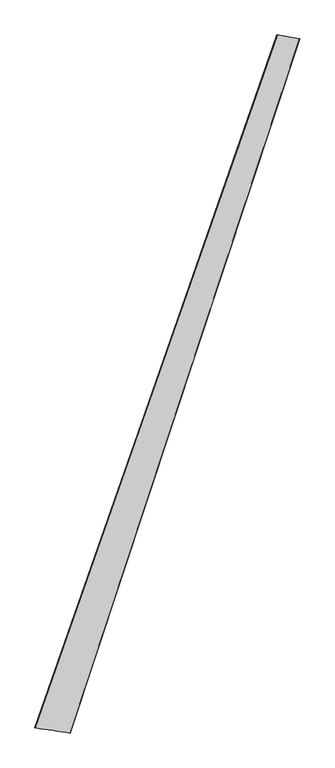
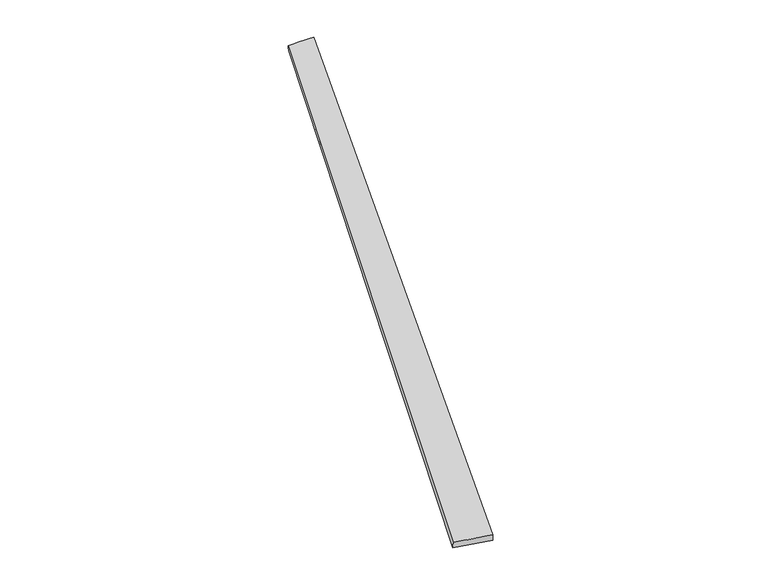
"""IFC4 building model written with IfcOpenShell, lengths in millimetres: proxy geometry."""

from ifc_helpers import new_model, si_unit, origin, place, context, project, spatial, source, transform, mapped, element, save
from ifc_brep_helpers import spline_surface, advanced_brep


def generic_models_459d90f9(model_context):
    return source(origin(), model_context, "Body", "AdvancedBrep", [
        advanced_brep(
        [(-682.6674432, -1729.4241893, 4.8798561), (-681.3924725, -1729.7743022, 34.8507064), (668.860764, 2135.4774034, 22.0863644), (672.6271366, 2134.0598177, -7.6424918), (-485.3608112, -1758.7656002, 25.0714021), (793.8169678, 2114.4617711, 37.4714153), (-486.8787665, -1758.1653155, -4.8841562), (796.919073, 2113.5296871, 7.6467919)],
        [
            (0, 1),
            (1, 2),
            (2, 3),
            (3, 0),
            (1, 4),
            (4, 5),
            (5, 2),
            (4, 6),
            (6, 7),
            (7, 5),
            (6, 0),
            (3, 7),
        ],
        [
            spline_surface(1, 1, [[(-682.6674432, -1729.4241893, 4.8798561), (672.6271366, 2134.0598177, -7.6424918)], [(-681.3924725, -1729.7743022, 34.8507064), (668.860764, 2135.4774034, 22.0863644)]], [2, 2], [2, 2], [0.0, 1.0], [0.0, 1.0]),
            spline_surface(1, 1, [[(-681.3924725, -1729.7743022, 34.8507064), (668.860764, 2135.4774034, 22.0863644)], [(-485.3608112, -1758.7656002, 25.0714021), (793.8169678, 2114.4617711, 37.4714153)]], [2, 2], [2, 2], [0.0, 1.0], [0.0, 1.0]),
            spline_surface(1, 1, [[(-485.3608112, -1758.7656002, 25.0714021), (793.8169678, 2114.4617711, 37.4714153)], [(-486.8787665, -1758.1653155, -4.8841562), (796.919073, 2113.5296871, 7.6467919)]], [2, 2], [2, 2], [0.0, 1.0], [0.0, 1.0]),
            spline_surface(1, 1, [[(-486.8787665, -1758.1653155, -4.8841562), (796.919073, 2113.5296871, 7.6467919)], [(-682.6674432, -1729.4241893, 4.8798561), (672.6271366, 2134.0598177, -7.6424918)]], [2, 2], [2, 2], [0.0, 1.0], [0.0, 1.0]),
            spline_surface(1, 1, [[(668.860764, 2135.4774034, 22.0863644), (672.6271366, 2134.0598177, -7.6424918)], [(793.8169678, 2114.4617711, 37.4714153), (796.919073, 2113.5296871, 7.6467919)]], [2, 2], [2, 2], [0.0, 1.0], [0.0, 1.0]),
            spline_surface(1, 1, [[(-486.8787665, -1758.1653155, -4.8841562), (-682.6674432, -1729.4241893, 4.8798561)], [(-485.3608112, -1758.7656002, 25.0714021), (-681.3924725, -1729.7743022, 34.8507064)]], [2, 2], [2, 2], [0.0, 1.0], [0.0, 1.0]),
        ],
        [
            (0, [[1, 2, 3, 4]]),
            (1, [[5, 6, 7, -2]]),
            (2, [[8, 9, 10, -6]]),
            (3, [[11, -4, 12, -9]]),
            (4, [[-3, -7, -10, -12]]),
            (5, [[-11, -8, -5, -1]]),
        ],
    ),
    ])


if __name__ == "__main__":
    model = new_model("IFC4")
    model_context = context("Model", 3, world=origin())
    ifc_project = project(units=[si_unit("LENGTHUNIT", "METRE", prefix="MILLI")], contexts=[model_context])
    site = spatial("IfcSite", under=ifc_project)
    building = spatial("IfcBuilding", under=site)
    placement = place(None, origin())
    generic_models_shape = generic_models_459d90f9(model_context)
    element("IfcBuildingElementProxy", 1, Name="Generic Models", at=placement, inside=building, context=model_context, shape_type="MappedRepresentation", body=[
        mapped(generic_models_shape, transform((0.0, 0.0, 0.0), x_axis=(1.0, 0.0, 0.0), y_axis=(0.0, 1.0, 0.0), z_axis=(0.0, 0.0, 1.0))),
    ])
    save(model, "model.ifc")
